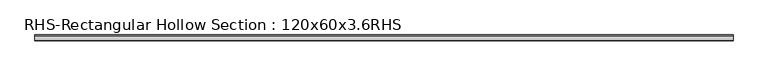
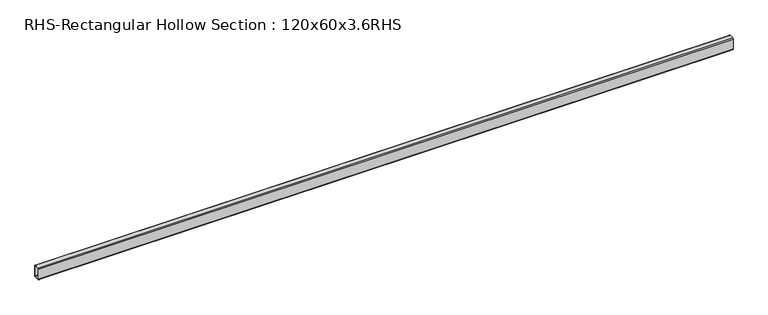
"""IFC4 building model written with IfcOpenShell, lengths in millimetres: beam geometry, RHS-Rectangular Hollow Section : 120x60x3.6RHS."""

from ifc_helpers import new_model, si_unit, point, frame, frame_2d, origin, place, context, project, spatial, polyline, circle_curve, trimmed, segment, composite_curve, outline, extrude, source, transform, mapped, element, save


def rhs_rectangular_hollow_section_120x60x3_6rhs_e09f055b(model_context):
    return source(origin(), model_context, "Body", "SweptSolid", [
        extrude(outline(composite_curve([segment(polyline([(30.0, 52.8), (30.0, -52.8)]), True, "CONTINUOUS"), segment(trimmed(circle_curve(frame_2d((22.8, -52.8)), 7.2), [point((30.0, -52.8))], [point((22.8, -60.0))], False, "CARTESIAN"), True, "CONTINUOUS"), segment(polyline([(22.8, -60.0), (-22.8, -60.0)]), True, "CONTINUOUS"), segment(trimmed(circle_curve(frame_2d((-22.8, -52.8)), 7.2), [point((-22.8, -60.0))], [point((-30.0, -52.8))], False, "CARTESIAN"), True, "CONTINUOUS"), segment(polyline([(-30.0, -52.8), (-30.0, 52.8)]), True, "CONTINUOUS"), segment(trimmed(circle_curve(frame_2d((-22.8, 52.8)), 7.2), [point((-30.0, 52.8))], [point((-22.8, 60.0))], False, "CARTESIAN"), True, "CONTINUOUS"), segment(polyline([(-22.8, 60.0), (22.8, 60.0)]), True, "CONTINUOUS"), segment(trimmed(circle_curve(frame_2d((22.8, 52.8)), 7.2), [point((22.8, 60.0))], [point((30.0, 52.8))], False, "CARTESIAN"), True, "CONTINUOUS")], self_intersect=False), holes=[composite_curve([segment(trimmed(circle_curve(frame_2d((-22.8, 52.8)), 3.6), [point((-22.8, 56.4))], [point((-26.4, 52.8))], True, "CARTESIAN"), True, "CONTINUOUS"), segment(polyline([(-26.4, 52.8), (-26.4, -52.8)]), True, "CONTINUOUS"), segment(trimmed(circle_curve(frame_2d((-22.8, -52.8)), 3.6), [point((-26.4, -52.8))], [point((-22.8, -56.4))], True, "CARTESIAN"), True, "CONTINUOUS"), segment(polyline([(-22.8, -56.4), (22.8, -56.4)]), True, "CONTINUOUS"), segment(trimmed(circle_curve(frame_2d((22.8, -52.8)), 3.6), [point((22.8, -56.4))], [point((26.4, -52.8))], True, "CARTESIAN"), True, "CONTINUOUS"), segment(polyline([(26.4, -52.8), (26.4, 52.8)]), True, "CONTINUOUS"), segment(trimmed(circle_curve(frame_2d((22.8, 52.8)), 3.6), [point((26.4, 52.8))], [point((22.8, 56.4))], True, "CARTESIAN"), True, "CONTINUOUS"), segment(polyline([(22.8, 56.4), (-22.8, 56.4)]), True, "CONTINUOUS")], self_intersect=False)]), frame((-3534.7822228, 0.0, 0.0), z_axis=(1.0, 0.0, 0.0), x_axis=(0.0, 1.0, 0.0)), (0.0, 0.0, 1.0), 6897.748552),
    ])


if __name__ == "__main__":
    model = new_model("IFC4")
    model_context = context("Model", 3, world=origin())
    ifc_project = project(units=[si_unit("LENGTHUNIT", "METRE", prefix="MILLI")], contexts=[model_context])
    site = spatial("IfcSite", under=ifc_project)
    building = spatial("IfcBuilding", under=site)
    placement = place(None, origin())
    rhs_rectangular_hollow_section_120x60x3_6rhs_shape = rhs_rectangular_hollow_section_120x60x3_6rhs_e09f055b(model_context)
    element("IfcBeam", 1, ObjectType="RHS-Rectangular Hollow Section : 120x60x3.6RHS", at=placement, inside=building, context=model_context, shape_type="MappedRepresentation", body=[
        mapped(rhs_rectangular_hollow_section_120x60x3_6rhs_shape, transform((0.0, 0.0, 0.0), x_axis=(1.0, 0.0, 0.0), y_axis=(0.0, 1.0, 0.0), z_axis=(0.0, 0.0, 1.0))),
    ])
    save(model, "model.ifc")
